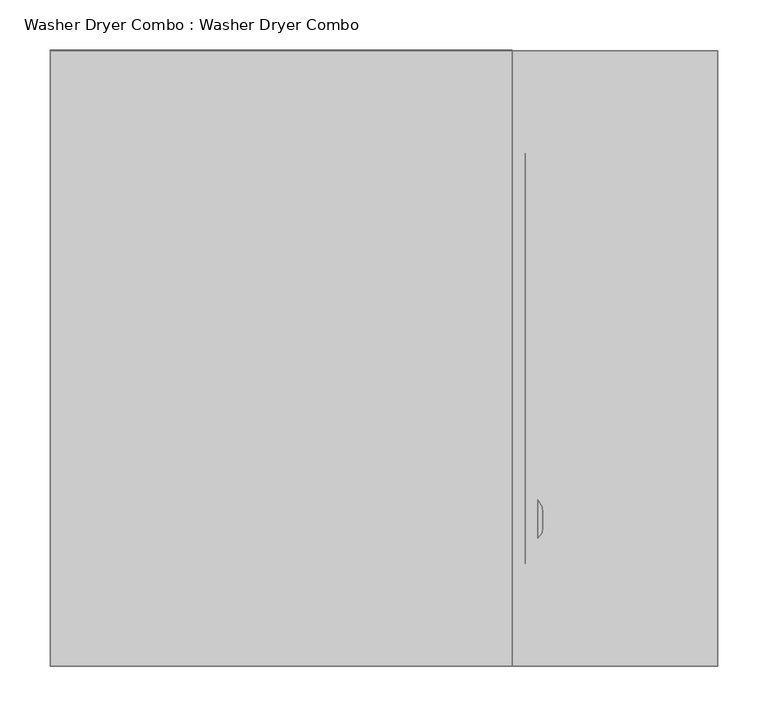
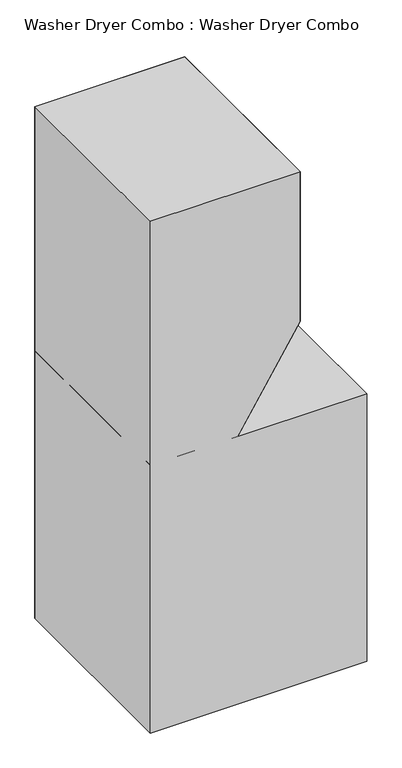
"""IFC4 building model written with IfcOpenShell, lengths in millimetres: proxy geometry, Washer Dryer Combo : Washer Dryer Combo."""

from ifc_helpers import new_model, si_unit, origin, place, context, project, spatial, triangles, source, transform, mapped, element, save


def washer_dryer_combo_washer_dryer_combo_1ddba0b3(model_context):
    return source(origin(), model_context, "Body", "Tessellation", [
        triangles([(482.6000121, 126.999997, 1320.8000484), (482.6000121, 165.1000061, 1320.8000484), (482.6000121, 165.1000242, 1447.8), (482.6000121, 127.0000242, 1447.8), (486.7037224, 132.3069768, 1320.8000484), (486.7037224, 132.3070041, 1447.8), (487.6161667, 137.5534862, 1320.8000484), (487.6161667, 137.5535134, 1447.8), (487.6161667, 152.1209382, 1320.8000484), (487.6161667, 152.1209563, 1447.8), (487.0585336, 158.3720919, 1320.8000484), (487.0585336, 158.37211, 1447.8), (423.176895, 393.6999879, 1087.0390989), (423.176895, 215.8999939, 1087.0390989), (405.3034947, 215.8999758, 1060.838518), (405.3034947, 393.6999879, 1060.838518)], [[1, 2, 3], [4, 1, 3], [5, 1, 4], [5, 6, 4], [5, 7, 6], [7, 8, 6], [7, 9, 8], [9, 10, 8], [9, 11, 10], [11, 12, 10], [11, 2, 12], [2, 3, 12], [4, 3, 2], [2, 1, 4], [13, 14, 15], [15, 16, 13]], closed=False),
        triangles([(279.4000061, 38.1000045, 876.3), (634.9999758, 38.1000045, 876.3), (279.4000061, 571.5, 876.3), (634.9999758, 571.5, 876.3), (452.6427564, 571.5000363, 1148.676107), (452.6427564, 38.1000273, 1148.676107), (283.3414261, 38.1000045, 876.4116938), (283.3414261, 571.5, 876.4116938), (469.8999879, 101.6000575, 1536.6999516), (469.8999879, 101.6000394, 1219.2), (469.8999879, 508.0000606, 1536.6999516), (469.8999879, 508.0000606, 1219.2), (0.0, 609.6000727, 1168.3999758), (457.2, 609.6000727, 1168.3999758), (0.0, 609.6, 863.5999758), (266.7, 609.6, 863.5999758), (457.2, 3e-05, 1168.3999758), (0.0, 3e-05, 1168.3999758), (0.0, 3.3e-06, 863.5999758), (266.7, 3.3e-06, 863.5999758), (457.2, 7.22e-05, 1650.9999516), (0.0, 7.22e-05, 1650.9999516), (457.2, 609.6000727, 1650.9999516), (0.0, 609.6000727, 1650.9999516), (0.0, 609.6, 812.8000242), (660.4000242, 609.6, 812.8000242), (0.0, 609.5999637, -2.66e-05), (660.4000242, 609.5999637, -2.66e-05), (660.4000242, 609.6, 863.5999758), (660.4000242, 3.3e-06, 863.5999758), (0.0, -1.1e-06, 812.8000242), (660.4000242, -1.1e-06, 812.8000242), (0.0, -7.22e-05, 2.66e-05), (660.4000242, -7.22e-05, 2.66e-05)], [[1, 2, 3], [4, 3, 2], [5, 6, 7], [7, 8, 5], [9, 10, 11], [12, 11, 10], [13, 14, 15], [16, 15, 14], [17, 18, 19], [19, 20, 17], [21, 22, 18], [18, 17, 21], [23, 24, 21], [22, 21, 24], [14, 13, 24], [24, 23, 14], [25, 26, 27], [28, 27, 26], [15, 29, 26], [26, 25, 15], [19, 30, 15], [29, 15, 30], [31, 32, 30], [30, 19, 31], [33, 34, 31], [32, 31, 34], [22, 24, 27], [27, 33, 22], [26, 32, 34], [34, 28, 26], [29, 30, 26], [32, 26, 30], [14, 17, 20], [20, 16, 14], [23, 21, 14], [17, 14, 21]], closed=False),
    ])


if __name__ == "__main__":
    model = new_model("IFC4")
    model_context = context("Model", 3, world=origin())
    ifc_project = project(units=[si_unit("LENGTHUNIT", "METRE", prefix="MILLI")], contexts=[model_context])
    site = spatial("IfcSite", under=ifc_project)
    building = spatial("IfcBuilding", under=site)
    placement = place(None, origin())
    washer_dryer_combo_washer_dryer_combo_shape = washer_dryer_combo_washer_dryer_combo_1ddba0b3(model_context)
    element("IfcBuildingElementProxy", 1, Name="Washer Dryer Combo : Washer Dryer Combo", ObjectType="Washer Dryer Combo : Washer Dryer Combo", at=placement, inside=building, context=model_context, shape_type="MappedRepresentation", body=[
        mapped(washer_dryer_combo_washer_dryer_combo_shape, transform((0.0, 0.0, 0.0), x_axis=(1.0, 0.0, 0.0), y_axis=(0.0, 1.0, 0.0), z_axis=(0.0, 0.0, 1.0))),
    ])
    save(model, "model.ifc")
